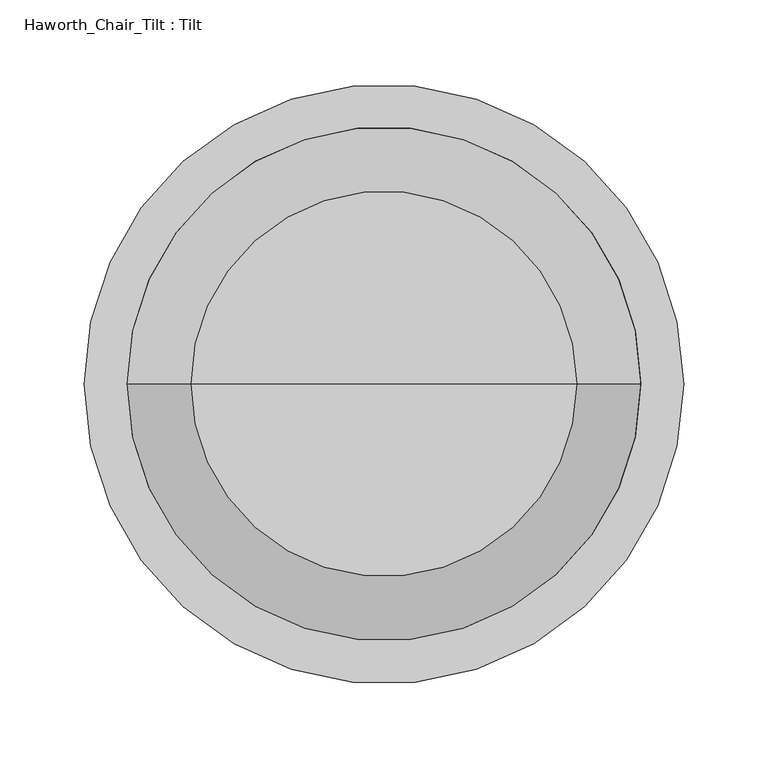
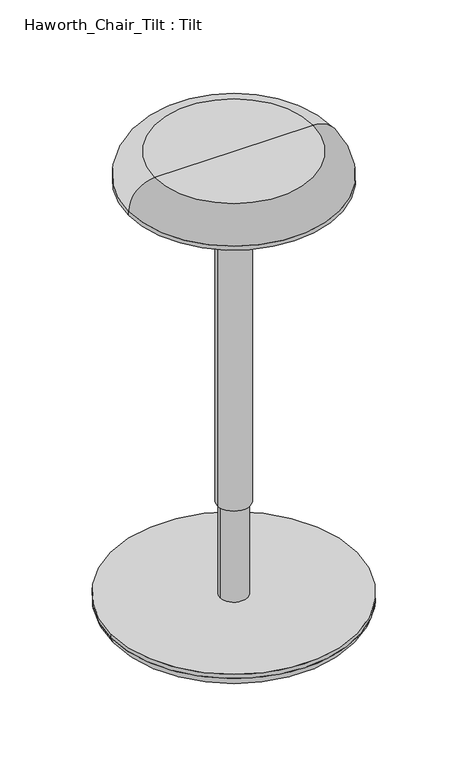
"""IFC4 building model written with IfcOpenShell, lengths in millimetres: furniture geometry, Haworth_Chair_Tilt : Tilt."""

from ifc_helpers import new_model, si_unit, point, frame, frame_2d, origin, origin_2d, place, context, project, spatial, circle_curve, ellipse_curve, trimmed, segment, composite_curve, outline, extrude, source, transform, mapped, element, save
from ifc_brep_helpers import plane_surface, revolved_surface, advanced_brep


def haworth_chair_tilt_tilt_fa742e71(model_context):
    return source(origin(), model_context, "Body", "SolidModel", [
        extrude(outline(composite_curve([segment(trimmed(circle_curve(frame_2d((0.0, 615.95)), 3.175), [point((-3.175, 615.95))], [point((3.175, 615.95))], False, "CARTESIAN"), True, "CONTINUOUS"), segment(trimmed(circle_curve(frame_2d((0.0, 615.95)), 3.175), [point((3.175, 615.95))], [point((-3.175, 615.95))], False, "CARTESIAN"), True, "CONTINUOUS")], self_intersect=False)), frame((24.1192004, 0.0, 0.0), z_axis=(1.0, 0.0, 0.0), x_axis=(0.0, 1.0, 0.0)), (0.0, 0.0, 1.0), 86.2355281),
        extrude(outline(composite_curve([segment(trimmed(circle_curve(origin_2d(), 19.9389992), [point((19.9389992, 0.0))], [point((-19.9389992, 0.0))], False, "CARTESIAN"), True, "CONTINUOUS"), segment(trimmed(circle_curve(origin_2d(), 19.9389992), [point((-19.9389992, 0.0))], [point((19.9389992, 0.0))], False, "CARTESIAN"), True, "CONTINUOUS")], self_intersect=False)), frame((0.0, 0.0, 36.2489797), z_axis=(0.0, 0.0, 1.0), x_axis=(1.0, 0.0, 0.0)), (0.0, 0.0, 1.0), 141.5510203),
        extrude(outline(composite_curve([segment(trimmed(circle_curve(origin_2d(), 23.6220002), [point((23.6220002, 0.0))], [point((-23.6220002, 0.0))], False, "CARTESIAN"), True, "CONTINUOUS"), segment(trimmed(circle_curve(origin_2d(), 23.6220002), [point((-23.6220002, 0.0))], [point((23.6220002, 0.0))], False, "CARTESIAN"), True, "CONTINUOUS")], self_intersect=False)), frame((0.0, 0.0, 177.8), z_axis=(0.0, 0.0, 1.0), x_axis=(1.0, 0.0, 0.0)), (0.0, 0.0, 1.0), 488.95),
        advanced_brep(
        [(-79.6904572, 0.0, 0.0), (79.6904572, 0.0, 0.0), (0.0, 0.0, 0.0), (-164.2207634, 0.0, 13.7158758), (164.2207634, 0.0, 13.7158758), (-177.8, 0.0, 29.8989797), (177.8, 0.0, 29.8989797), (0.0, 0.0, 29.8989797)],
        [
            (0, 1, circle_curve(frame((0.0, 0.0, 0.0), z_axis=(0.0, 0.0, -1.0), x_axis=(1.0, 0.0, 0.0)), 79.6904572)),
            (1, 2),
            (2, 0),
            (1, 0, circle_curve(frame((0.0, 0.0, 0.0), z_axis=(0.0, 0.0, -1.0), x_axis=(1.0, 0.0, 0.0)), 79.6904572)),
            (3, 4, circle_curve(frame((0.0, 0.0, 13.7158758), z_axis=(0.0, 0.0, -1.0), x_axis=(1.0, 0.0, 0.0)), 164.2207634)),
            (4, 1, circle_curve(frame((75.3690865, 0.0, 293.9685237), z_axis=(0.0, 1.0, 0.0), x_axis=(1.0, 0.0, 0.0)), 294.0002843)),
            (0, 3, circle_curve(frame((-75.3690865, 0.0, 293.9685237), z_axis=(0.0, 1.0, 0.0), x_axis=(-1.0, 0.0, 0.0)), 294.0002843)),
            (4, 3, circle_curve(frame((0.0, 0.0, 13.7158758), z_axis=(0.0, 0.0, -1.0), x_axis=(1.0, 0.0, 0.0)), 164.2207634)),
            (5, 6, circle_curve(frame((0.0, 0.0, 29.8989797), z_axis=(0.0, 0.0, -1.0), x_axis=(1.0, 0.0, 0.0)), 177.8)),
            (6, 4, circle_curve(frame((158.264676, 0.0, 32.5023447), z_axis=(0.0, 1.0, 0.0), x_axis=(1.0, 0.0, 0.0)), 19.7080286)),
            (3, 5, circle_curve(frame((-158.264676, 0.0, 32.5023447), z_axis=(0.0, 1.0, 0.0), x_axis=(-1.0, 0.0, 0.0)), 19.7080286)),
            (6, 5, circle_curve(frame((0.0, 0.0, 29.8989797), z_axis=(0.0, 0.0, -1.0), x_axis=(1.0, 0.0, 0.0)), 177.8)),
            (7, 6),
            (5, 7),
        ],
        [
            plane_surface(frame((0.0, 0.0, 0.0), z_axis=(0.0, 0.0, -1.0), x_axis=(1.0, 0.0, 0.0))),
            revolved_surface(trimmed(ellipse_curve(frame((75.3690865, 0.0, 293.9685237), z_axis=(0.0, -1.0, 0.0), x_axis=(1.0, 0.0, 0.0)), 294.0002843, 294.0002843), [point((79.6904572, 0.0, 0.0))], [point((164.2207634, 0.0, 13.7158758))], True, "CARTESIAN"), (0.0, 0.0, 2494.2743093), (0.0, 0.0, 1.0)),
            revolved_surface(trimmed(ellipse_curve(frame((158.264676, 0.0, 32.5023447), z_axis=(0.0, -1.0, 0.0), x_axis=(1.0, 0.0, 0.0)), 19.7080286, 19.7080286), [point((164.2207634, 0.0, 13.7158758))], [point((177.8, 0.0, 29.8989797))], True, "CARTESIAN"), (0.0, 0.0, 2494.2743093), (0.0, 0.0, 1.0)),
            plane_surface(frame((0.0, 0.0, 29.8989797), z_axis=(0.0, 0.0, 1.0), x_axis=(1.0, 0.0, 0.0))),
        ],
        [
            (0, [[1, 2, 3]]),
            (0, [[4, -3, -2]]),
            (1, [[5, 6, -1, 7]]),
            (1, [[8, -7, -4, -6]]),
            (2, [[9, 10, -5, 11]]),
            (2, [[12, -11, -8, -10]]),
            (3, [[13, -9, 14]]),
            (3, [[-14, -12, -13]]),
        ],
    ),
        extrude(outline(composite_curve([segment(trimmed(circle_curve(origin_2d(), 177.8), [point((177.8, 0.0))], [point((-177.8, 0.0))], False, "CARTESIAN"), True, "CONTINUOUS"), segment(trimmed(circle_curve(origin_2d(), 177.8), [point((-177.8, 0.0))], [point((177.8, 0.0))], False, "CARTESIAN"), True, "CONTINUOUS")], self_intersect=False)), frame((0.0, 0.0, 29.8989797), z_axis=(0.0, 0.0, 1.0), x_axis=(1.0, 0.0, 0.0)), (0.0, 0.0, 1.0), 6.35),
        advanced_brep(
        [(0.0, 0.0, 711.2), (114.2999941, 0.0, 711.2), (-114.2999941, 0.0, 711.2), (-152.3999941, 0.0, 673.1), (152.3999941, 0.0, 673.1), (0.0, 0.0, 673.1)],
        [
            (0, 1),
            (1, 2, circle_curve(frame((0.0, 0.0, 711.2), z_axis=(0.0, 0.0, 1.0), x_axis=(1.0, 0.0, 0.0)), 114.2999941)),
            (2, 0),
            (2, 1, circle_curve(frame((0.0, 0.0, 711.2), z_axis=(0.0, 0.0, 1.0), x_axis=(1.0, 0.0, 0.0)), 114.2999941)),
            (3, 4, circle_curve(frame((0.0, 0.0, 673.1), z_axis=(0.0, 0.0, -1.0), x_axis=(1.0, 0.0, 0.0)), 152.3999941)),
            (4, 5),
            (5, 3),
            (4, 3, circle_curve(frame((0.0, 0.0, 673.1), z_axis=(0.0, 0.0, -1.0), x_axis=(1.0, 0.0, 0.0)), 152.3999941)),
            (1, 4, circle_curve(frame((114.2999941, 0.0, 673.1), z_axis=(0.0, 1.0, 0.0), x_axis=(1.0, 0.0, 0.0)), 38.1)),
            (3, 2, circle_curve(frame((-114.2999941, 0.0, 673.1), z_axis=(0.0, 1.0, 0.0), x_axis=(-1.0, 0.0, 0.0)), 38.1)),
        ],
        [
            plane_surface(frame((0.0, 0.0, 711.2), z_axis=(0.0, 0.0, 1.0), x_axis=(1.0, 0.0, 0.0))),
            plane_surface(frame((0.0, 0.0, 673.1), z_axis=(0.0, 0.0, -1.0), x_axis=(1.0, 0.0, 0.0))),
            revolved_surface(trimmed(ellipse_curve(frame((114.2999941, 0.0, 673.1), z_axis=(0.0, -1.0, 0.0), x_axis=(1.0, 0.0, 0.0)), 38.1, 38.1), [point((152.3999941, 0.0, 673.1))], [point((114.2999941, 0.0, 711.2))], True, "CARTESIAN"), (0.0, 0.0, 2494.2743093), (0.0, 0.0, 1.0)),
        ],
        [
            (0, [[1, 2, 3]]),
            (0, [[-3, 4, -1]]),
            (1, [[5, 6, 7]]),
            (1, [[8, -7, -6]]),
            (2, [[-2, 9, -5, 10]]),
            (2, [[-4, -10, -8, -9]]),
        ],
    ),
        extrude(outline(composite_curve([segment(trimmed(circle_curve(frame_2d((-5.9e-06, 0.0)), 152.4), [point((-152.4000059, 0.0))], [point((152.3999941, 0.0))], False, "CARTESIAN"), True, "CONTINUOUS"), segment(trimmed(circle_curve(frame_2d((-5.9e-06, 0.0)), 152.4), [point((152.3999941, 0.0))], [point((-152.4000059, 0.0))], False, "CARTESIAN"), True, "CONTINUOUS")], self_intersect=False)), frame((0.0, 0.0, 666.75), z_axis=(0.0, 0.0, 1.0), x_axis=(1.0, 0.0, 0.0)), (0.0, 0.0, 1.0), 6.35),
    ])


if __name__ == "__main__":
    model = new_model("IFC4")
    model_context = context("Model", 3, world=origin())
    ifc_project = project(units=[si_unit("LENGTHUNIT", "METRE", prefix="MILLI")], contexts=[model_context])
    site = spatial("IfcSite", under=ifc_project)
    building = spatial("IfcBuilding", under=site)
    placement = place(None, origin())
    haworth_chair_tilt_tilt_shape = haworth_chair_tilt_tilt_fa742e71(model_context)
    element("IfcFurniture", 1, ObjectType="Haworth_Chair_Tilt : Tilt", at=placement, inside=building, context=model_context, shape_type="MappedRepresentation", body=[
        mapped(haworth_chair_tilt_tilt_shape, transform((0.0, 0.0, 0.0), x_axis=(1.0, 0.0, 0.0), y_axis=(0.0, 1.0, 0.0), z_axis=(0.0, 0.0, 1.0))),
    ])
    save(model, "model.ifc")
